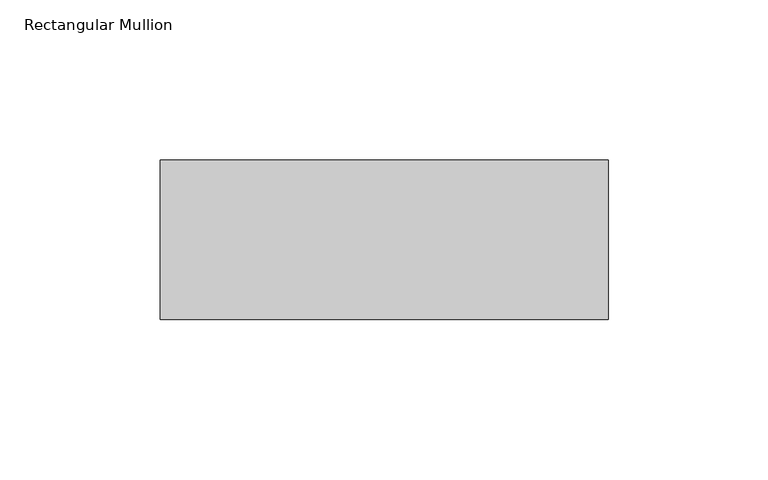
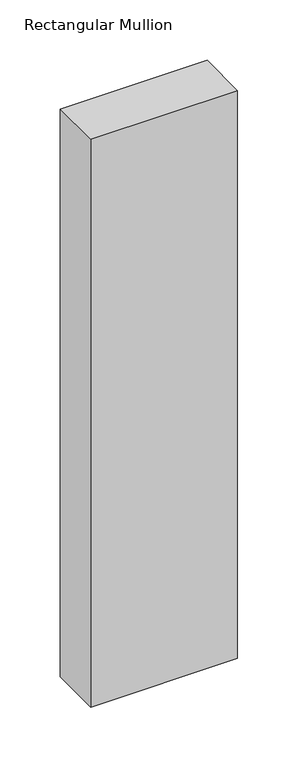
"""IFC4 building model written with IfcOpenShell, lengths in millimetres: member geometry, Rectangular Mullion."""

from ifc_helpers import new_model, si_unit, frame, origin, place, context, project, spatial, polyline, outline, extrude, source, transform, mapped, element, save


def rectangular_mullion_76384fd6(model_context):
    return source(origin(), model_context, "Body", "SweptSolid", [
        extrude(outline(polyline([(0.0, 59.0), (0.0, 9.0), (-140.0, 9.0), (-140.0, 59.0), (0.0, 59.0)])), frame((0.0, 0.0, -573.7500002), z_axis=(0.0, 0.0, 1.0), x_axis=(1.0, 0.0, 0.0)), (0.0, 0.0, 1.0), 573.7500002),
    ])


if __name__ == "__main__":
    model = new_model("IFC4")
    model_context = context("Model", 3, world=origin())
    ifc_project = project(units=[si_unit("LENGTHUNIT", "METRE", prefix="MILLI")], contexts=[model_context])
    site = spatial("IfcSite", under=ifc_project)
    building = spatial("IfcBuilding", under=site)
    placement = place(None, origin())
    rectangular_mullion_shape = rectangular_mullion_76384fd6(model_context)
    element("IfcMember", 1, ObjectType="Rectangular Mullion", at=placement, inside=building, context=model_context, shape_type="MappedRepresentation", body=[
        mapped(rectangular_mullion_shape, transform((0.0, 0.0, 0.0), x_axis=(1.0, 0.0, 0.0), y_axis=(0.0, 1.0, 0.0), z_axis=(0.0, 0.0, 1.0))),
    ])
    save(model, "model.ifc")
